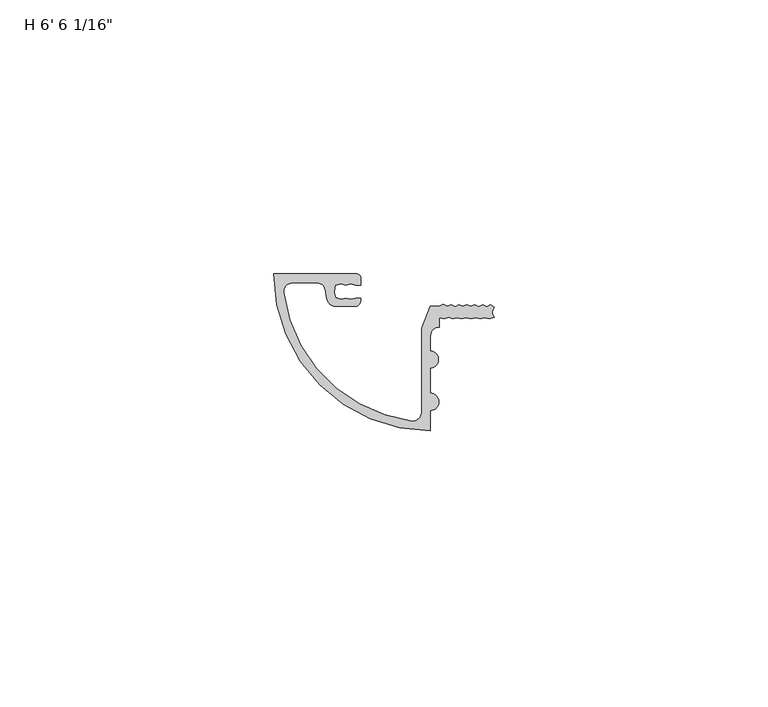
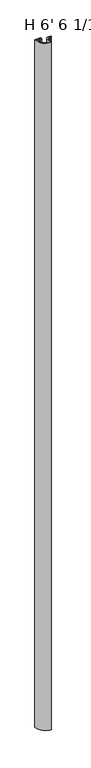
"""IFC4 building model written with IfcOpenShell, lengths in millimetres: proxy geometry."""

from ifc_helpers import new_model, si_unit, point, frame_2d, origin, origin_with_axes, place, context, project, spatial, polyline, circle_curve, trimmed, segment, composite_curve, outline, extrude, source, transform, mapped, element, save


def proxy_b29a94e9(model_context):
    return source(origin(), model_context, "Body", "SweptSolid", [
        extrude(outline(composite_curve([segment(polyline([(18.0472383, -9.9409866), (19.6405441, -5.8977295), (21.2643492, -5.8977295), (21.9761751, -5.5657997), (22.668138, -5.9337229), (23.4206141, -5.5986989), (24.1571124, -6.0051261), (24.8327199, -5.5991801), (25.5410838, -5.9294957), (26.25963, -5.5944321), (26.988687, -5.934397), (27.6966081, -5.6042879), (28.46625, -5.9631778), (29.1762437, -5.6321023), (29.8976483, -5.9684988), (30.5970616, -5.5808077), (31.2551692, -6.1091347)]), True, "CONTINUOUS"), segment(trimmed(circle_curve(frame_2d((32.3686501, -7.0030343)), 1.4278993), [point((31.2551692, -6.1091347))], [point((31.2491047, -7.8893268))], True, "CARTESIAN"), True, "CONTINUOUS"), segment(polyline([(31.2491047, -7.8893268), (30.3656819, -8.1553262), (29.5700184, -7.9862027), (28.7703401, -8.1786509), (27.873416, -7.9880038), (26.9623737, -8.1776372), (26.1837264, -7.9834986), (25.3088898, -8.1655958), (24.5336946, -7.972318), (23.7286609, -8.1398857), (22.963234, -7.9490433), (22.1928114, -8.1699585), (21.2225933, -7.9637322), (21.2225933, -9.6959523)]), True, "CONTINUOUS"), segment(trimmed(circle_curve(frame_2d((21.2203144, -11.2834506)), 1.5875), [point((21.2225933, -9.6959523))], [point((19.632816, -11.2811717))], True, "CARTESIAN"), True, "CONTINUOUS"), segment(polyline([(19.632816, -11.2811717), (19.6288599, -14.0370689)]), True, "CONTINUOUS"), segment(trimmed(circle_curve(frame_2d((19.5356139, -15.6117367)), 1.5774262), [point((19.6288599, -14.0370689))], [point((19.6243385, -17.1866657))], False, "CARTESIAN"), True, "CONTINUOUS"), segment(polyline([(19.6243385, -17.1866657), (19.6177571, -21.7713609)]), True, "CONTINUOUS"), segment(trimmed(circle_curve(frame_2d((19.6154964, -23.3461593)), 1.5748), [point((19.6177571, -21.7713609))], [point((19.6132357, -24.9209577))], False, "CARTESIAN"), True, "CONTINUOUS"), segment(polyline([(19.6132357, -24.9209577), (19.6078657, -28.661793)]), True, "CONTINUOUS"), segment(trimmed(circle_curve(frame_2d((19.6488858, -0.0868224)), 28.575), [point((19.6078657, -28.661793))], [point((-8.9259823, 0.0))], False, "CARTESIAN"), True, "CONTINUOUS"), segment(polyline([(-8.9259823, 0.0), (6.1577097, 0.0)]), True, "CONTINUOUS"), segment(trimmed(circle_curve(frame_2d((6.1577097, -0.79502)), 0.79502), [point((6.1577097, 0.0))], [point((6.9527289, -0.7961613))], False, "CARTESIAN"), True, "CONTINUOUS"), segment(polyline([(6.9527289, -0.7961613), (6.9509476, -2.0369875), (5.9798374, -2.0369875), (5.0959545, -1.8001518), (4.2120717, -2.0369875), (3.3281889, -1.8001518), (2.2904412, -2.0782154)]), True, "CONTINUOUS"), segment(trimmed(circle_curve(frame_2d((5.3964317, -3.1778658)), 3.2949063), [point((2.2904412, -2.0782154))], [point((2.3275634, -4.3772219))], True, "CARTESIAN"), True, "CONTINUOUS"), segment(polyline([(2.3275634, -4.3772219), (3.3281889, -4.6453387), (4.2120717, -4.408503), (5.0959545, -4.6453387), (5.9798374, -4.408503), (6.9333227, -4.408503)]), True, "CONTINUOUS"), segment(trimmed(circle_curve(frame_2d((5.5899473, -4.6497232)), 1.3648606), [point((6.9333227, -4.408503))], [point((6.1503897, -5.8942106))], False, "CARTESIAN"), True, "CONTINUOUS"), segment(polyline([(6.1503897, -5.8942106), (2.2966421, -5.8886785)]), True, "CONTINUOUS"), segment(trimmed(circle_curve(frame_2d((2.2989209, -4.3011801)), 1.5875), [point((2.2966421, -5.8886785))], [point((0.806527, -4.8423977))], False, "CARTESIAN"), True, "CONTINUOUS"), segment(trimmed(circle_curve(frame_2d((5.3964317, -3.1778658)), 4.8824063), [point((0.806527, -4.8423977))], [point((0.5141967, -3.2187765))], False, "CARTESIAN"), True, "CONTINUOUS"), segment(trimmed(circle_curve(frame_2d((-1.0732475, -3.2320785)), 1.5875), [point((0.5141967, -3.2187765))], [point((-1.0709686, -1.6445801))], True, "CARTESIAN"), True, "CONTINUOUS"), segment(polyline([(-1.0709686, -1.6445801), (-5.5541484, -1.6381444)]), True, "CONTINUOUS"), segment(trimmed(circle_curve(frame_2d((-5.5564273, -3.2256427)), 1.5875), [point((-5.5541484, -1.6381444))], [point((-7.1317593, -3.421819))], True, "CARTESIAN"), True, "CONTINUOUS"), segment(trimmed(circle_curve(frame_2d((19.6488858, -0.0868224)), 26.9875), [point((-7.1317593, -3.421819))], [point((16.2370144, -26.8577822))], True, "CARTESIAN"), True, "CONTINUOUS"), segment(trimmed(circle_curve(frame_2d((16.4377127, -25.2830199)), 1.5875), [point((16.2370144, -26.8577822))], [point((18.0252111, -25.2852988))], True, "CARTESIAN"), True, "CONTINUOUS"), segment(polyline([(18.0252111, -25.2852988), (18.0472383, -9.9409866)]), True, "CONTINUOUS")], self_intersect=False)), origin_with_axes(), (0.0, 0.0, 1.0), 1982.7875),
    ])


if __name__ == "__main__":
    model = new_model("IFC4")
    model_context = context("Model", 3, world=origin())
    ifc_project = project(units=[si_unit("LENGTHUNIT", "METRE", prefix="MILLI")], contexts=[model_context])
    site = spatial("IfcSite", under=ifc_project)
    building = spatial("IfcBuilding", under=site)
    placement = place(None, origin())
    proxy_shape = proxy_b29a94e9(model_context)
    element("IfcBuildingElementProxy", 1, Name="H 6' 6 1/16\"", ObjectType="H 6' 6 1/16\"", at=placement, inside=building, context=model_context, shape_type="MappedRepresentation", body=[
        mapped(proxy_shape, transform((0.0, 0.0, 0.0), x_axis=(1.0, 0.0, 0.0), y_axis=(0.0, 1.0, 0.0), z_axis=(0.0, 0.0, 1.0))),
    ])
    save(model, "model.ifc")
